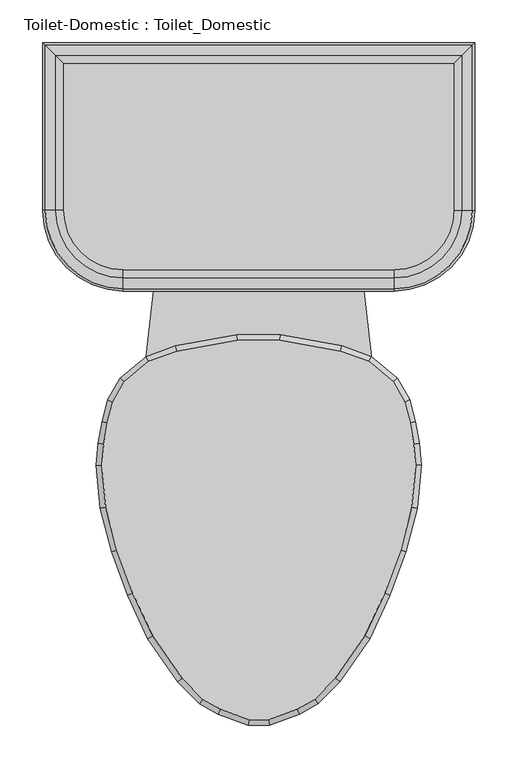
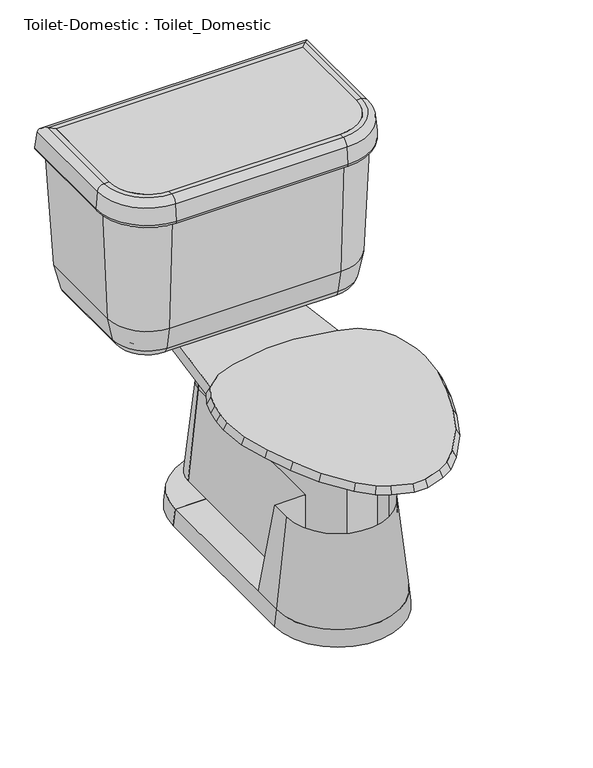
"""IFC4 building model written with IfcOpenShell, lengths in millimetres: flow terminal geometry, Toilet-Domestic : Toilet_Domestic."""

from ifc_helpers import new_model, si_unit, point, frame, frame_2d, origin, place, context, project, spatial, polyline, circle_curve, ellipse_curve, trimmed, segment, composite_curve, outline, extrude, faceted_brep, source, transform, mapped, element, save
from ifc_brep_helpers import plane_surface, cylinder_surface, revolved_surface, advanced_brep


def toilet_domestic_toilet_domestic_f7549cf7(model_context):
    return source(origin(), model_context, "Body", "SolidModel", [
        advanced_brep(
        [(-117.7636364, 285.75, 0.0), (-38.1, 285.75, 0.0), (-38.1, 285.75, 31.75), (-114.3, 285.75, 31.75), (117.7636364, 285.75, 0.0), (114.3, 285.75, 31.75), (38.1, 285.75, 31.75), (38.1, 285.75, 0.0)],
        [
            (0, 1),
            (1, 2),
            (2, 3),
            (3, 0),
            (4, 5),
            (5, 6),
            (6, 7),
            (7, 4),
            (7, 1, circle_curve(frame((0.0, 285.75, 0.0), z_axis=(0.0, 0.0, 1.0), x_axis=(-1.0, 0.0, 0.0)), 38.1)),
            (0, 4, circle_curve(frame((0.0, 285.75, 0.0), z_axis=(0.0, 0.0, -1.0), x_axis=(-1.0, 0.0, 0.0)), 117.7636364)),
            (6, 2, circle_curve(frame((0.0, 285.75, 31.75), z_axis=(0.0, 0.0, 1.0), x_axis=(-1.0, 0.0, 0.0)), 38.1)),
            (5, 3, circle_curve(frame((0.0, 285.75, 31.75), z_axis=(0.0, 0.0, 1.0), x_axis=(-1.0, 0.0, 0.0)), 114.3)),
        ],
        [
            plane_surface(frame((0.0, 285.75, -304.8), z_axis=(0.0, -1.0, 0.0), x_axis=(-1.0, 0.0, 0.0))),
            plane_surface(frame((0.0, 285.75, -304.8), z_axis=(0.0, -1.0, 0.0), x_axis=(1.0, 0.0, 0.0))),
            plane_surface(frame((0.0, 285.75, 0.0), z_axis=(0.0, 0.0, -1.0), x_axis=(-1.0, 0.0, 0.0))),
            revolved_surface(polyline([(-38.1, 285.75, 0.0), (-38.1, 285.75, 31.75)]), (0.0, 285.75, -304.8), (0.0, 0.0, -1.0)),
            plane_surface(frame((0.0, 285.75, 31.75), z_axis=(0.0, 0.0, 1.0), x_axis=(-1.0, 0.0, 0.0))),
            revolved_surface(polyline([(-114.3, 285.75, 31.75), (-117.7636364, 285.75, 0.0)]), (0.0, 285.75, -304.8), (0.0, 0.0, -1.0)),
        ],
        [
            (0, [[1, 2, 3, 4]]),
            (1, [[5, 6, 7, 8]]),
            (2, [[9, -1, 10, -8]]),
            (3, [[11, -2, -9, -7]]),
            (4, [[12, -3, -11, -6]]),
            (5, [[-10, -4, -12, -5]]),
        ],
    ),
        advanced_brep(
        [(-38.1, 342.9, 206.375), (-57.15, 342.9, 31.75), (-38.1, 342.9, 31.75), (38.1, 342.9, 206.375), (38.1, 342.9, 31.75), (57.15, 342.9, 31.75)],
        [
            (0, 1),
            (1, 2),
            (2, 0),
            (3, 4),
            (4, 5),
            (5, 3),
            (5, 1, circle_curve(frame((0.0, 342.9, 31.75), z_axis=(0.0, 0.0, 1.0), x_axis=(-1.0, 0.0, 0.0)), 57.15)),
            (0, 3, circle_curve(frame((0.0, 342.9, 206.375), z_axis=(0.0, 0.0, -1.0), x_axis=(-1.0, 0.0, 0.0)), 38.1)),
            (4, 2, circle_curve(frame((0.0, 342.9, 31.75), z_axis=(0.0, 0.0, 1.0), x_axis=(-1.0, 0.0, 0.0)), 38.1)),
        ],
        [
            plane_surface(frame((0.0, 342.9, 31.75), z_axis=(0.0, -1.0, 0.0), x_axis=(-1.0, 0.0, 0.0))),
            plane_surface(frame((0.0, 342.9, 31.75), z_axis=(0.0, -1.0, 0.0), x_axis=(1.0, 0.0, 0.0))),
            revolved_surface(polyline([(-38.1, 342.9, 206.375), (-57.15, 342.9, 31.75)]), (0.0, 342.9, 31.75), (0.0, 0.0, -1.0)),
            plane_surface(frame((0.0, 342.9, 31.75), z_axis=(0.0, 0.0, -1.0), x_axis=(-1.0, 0.0, 0.0))),
            revolved_surface(polyline([(-38.1, 342.9, 31.75), (-38.1, 342.9, 206.375)]), (0.0, 342.9, 31.75), (0.0, 0.0, -1.0)),
        ],
        [
            (0, [[1, 2, 3]]),
            (1, [[4, 5, 6]]),
            (2, [[7, -1, 8, -6]]),
            (3, [[9, -2, -7, -5]]),
            (4, [[-8, -3, -9, -4]]),
        ],
    ),
        faceted_brep([(-157.6293435, 97.472128, 400.05), (-171.060664, 73.773864, 400.05), (-177.5851102, 49.4242991, 400.05), (-181.9845715, 24.4737144, 400.05), (-184.125744, 0.0, 400.05), (-179.7950716, -49.4998127, 400.05), (-166.347, -99.688699, 400.05), (-148.0469602, -149.9676451, 400.05), (-124.7045808, -200.0255393, 400.05), (-90.0971582, -249.9125941, 400.05), (-65.691017, -274.3187354, 400.05), (-44.8990862, -286.3229622, 400.05), (-11.5803237, -298.45, 400.05), (11.5803237, -298.45, 400.05), (44.8990862, -286.3229622, 400.05), (65.691017, -274.3187354, 400.05), (90.0971582, -249.9125941, 400.05), (124.7045808, -200.0255393, 400.05), (148.0469602, -149.9676451, 400.05), (166.347, -99.688699, 400.05), (179.7950716, -49.4998127, 400.05), (184.125744, 0.0, 400.05), (181.9845715, 24.4737144, 400.05), (177.5851102, 49.4242991, 400.05), (171.060664, 73.773864, 400.05), (157.6293435, 97.472128, 400.05), (129.0942628, 121.4159037, 400.05), (95.7755003, 133.5429415, 400.05), (24.844447, 146.05, 400.05), (-24.844447, 146.05, 400.05), (-95.7755003, 133.5429415, 400.05), (-129.0942628, 121.4159037, 400.05), (-162.5887836, 101.6, 387.2181453), (-132.3182423, 127.0, 387.2181453), (-97.4252791, 139.7, 387.2181453), (-25.4, 152.4, 387.2181453), (25.4, 152.4, 387.2181453), (97.4252791, 139.7, 387.2181453), (132.3182423, 127.0, 387.2181453), (162.5887836, 101.6, 387.2181453), (176.9845865, 76.2, 387.2181453), (183.790496, 50.8, 387.2181453), (188.2862441, 25.3033453, 387.2181453), (190.5, 0.0, 387.2181453), (186.0724883, -50.6066907, 387.2181453), (172.4088722, -101.6, 387.2181453), (153.9191843, -152.4, 387.2181453), (130.2307553, -203.2, 387.2181453), (94.9900085, -254.0, 387.2181453), (69.5900085, -279.4, 387.2181453), (47.5929632, -292.1, 387.2181453), (12.7, -304.8, 387.2181453), (-12.7, -304.8, 387.2181453), (-47.5929632, -292.1, 387.2181453), (-69.5900085, -279.4, 387.2181453), (-94.9900085, -254.0, 387.2181453), (-130.2307553, -203.2, 387.2181453), (-153.9191843, -152.4, 387.2181453), (-172.4088722, -101.6, 387.2181453), (-186.0724883, -50.6066907, 387.2181453), (-190.5, 0.0, 387.2181453), (-188.2862441, 25.3033453, 387.2181453), (-183.790496, 50.8, 387.2181453), (-176.9845865, 76.2, 387.2181453)], [[[0, 1, 2, 3, 4, 5, 6, 7, 8, 9, 10, 11, 12, 13, 14, 15, 16, 17, 18, 19, 20, 21, 22, 23, 24, 25, 26, 27, 28, 29, 30, 31]], [[32, 33, 34, 35, 36, 37, 38, 39, 40, 41, 42, 43, 44, 45, 46, 47, 48, 49, 50, 51, 52, 53, 54, 55, 56, 57, 58, 59, 60, 61, 62, 63]], [[32, 63, 1, 0]], [[63, 62, 2, 1]], [[62, 61, 3, 2]], [[61, 60, 4, 3]], [[60, 59, 5, 4]], [[59, 58, 6, 5]], [[58, 57, 7, 6]], [[57, 56, 8, 7]], [[56, 55, 9, 8]], [[55, 54, 10, 9]], [[54, 53, 11, 10]], [[53, 52, 12, 11]], [[52, 51, 13, 12]], [[51, 50, 14, 13]], [[50, 49, 15, 14]], [[49, 48, 16, 15]], [[48, 47, 17, 16]], [[47, 46, 18, 17]], [[46, 45, 19, 18]], [[45, 44, 20, 19]], [[44, 43, 21, 20]], [[43, 42, 22, 21]], [[42, 41, 23, 22]], [[41, 40, 24, 23]], [[40, 39, 25, 24]], [[39, 38, 26, 25]], [[38, 37, 27, 26]], [[37, 36, 28, 27]], [[36, 35, 29, 28]], [[35, 34, 30, 29]], [[34, 33, 31, 30]], [[33, 32, 0, 31]]]),
        extrude(outline(composite_curve([segment(polyline([(228.5868869, 469.8868869), (228.5868869, 298.45)]), True, "CONTINUOUS"), segment(trimmed(circle_curve(frame_2d((158.75, 298.45)), 69.8368869), [point((228.5868869, 298.45))], [point((158.75, 228.6131131))], False, "CARTESIAN"), True, "CONTINUOUS"), segment(polyline([(158.75, 228.6131131), (-158.75, 228.6131131)]), True, "CONTINUOUS"), segment(trimmed(circle_curve(frame_2d((-158.75, 298.45)), 69.8368869), [point((-158.75, 228.6131131))], [point((-228.5868869, 298.45))], False, "CARTESIAN"), True, "CONTINUOUS"), segment(polyline([(-228.5868869, 298.45), (-228.5868869, 469.8868869), (228.5868869, 469.8868869)]), True, "CONTINUOUS")], self_intersect=False)), frame((0.0, 0.0, 654.05), z_axis=(0.0, 0.0, 1.0), x_axis=(1.0, 0.0, 0.0)), (0.0, 0.0, 1.0), 50.8),
        extrude(outline(composite_curve([segment(trimmed(circle_curve(frame_2d((0.0, 342.9)), 38.1), [point((-38.1, 342.9))], [point((38.1, 342.9))], False, "CARTESIAN"), True, "CONTINUOUS"), segment(polyline([(38.1, 342.9), (-38.1, 342.9)]), True, "CONTINUOUS")], self_intersect=False)), frame((0.0, 0.0, 206.375), z_axis=(0.0, 0.0, 1.0), x_axis=(1.0, 0.0, 0.0)), (0.0, 0.0, 1.0), 130.175),
        advanced_brep(
        [(177.8, 419.1, 387.2181453), (177.8, 419.1, 374.65), (177.8, 298.45, 374.65), (177.8, 298.45, 387.2181453), (192.8020829, 434.1020829, 387.2181453), (192.8020829, 298.45, 387.2181453), (211.4650931, 452.7650931, 402.4478636), (211.4650931, 298.45, 402.4478636), (218.7732506, 460.0732506, 438.15), (218.7732506, 298.45, 438.15), (228.5868869, 469.8868869, 654.05), (228.5868869, 298.45, 654.05), (228.5868869, 469.8868869, 704.85), (228.5868869, 298.45, 704.85), (237.91817, 479.21817, 704.85), (237.91817, 298.45, 704.85), (250.5698426, 491.8698426, 693.2568779), (250.5698426, 298.45, 693.2568779), (253.3960274, 494.6960274, 660.953439), (253.3960274, 298.45, 660.953439), (247.070191, 488.370191, 654.05), (247.070191, 298.45, 654.05), (241.3, 482.6, 654.05), (241.3, 298.45, 654.05), (231.4863636, 472.7863636, 438.15), (231.4863636, 298.45, 438.15), (222.3416824, 463.6416824, 393.4759963), (222.3416824, 298.45, 393.4759963), (197.8071664, 439.1071664, 374.65), (197.8071664, 298.45, 374.65), (158.75, 279.4, 387.2181453), (158.75, 279.4, 374.65), (158.75, 264.3979171, 387.2181453), (158.75, 245.7349069, 402.4478636), (158.75, 238.4267494, 438.15), (158.75, 228.6131131, 654.05), (158.75, 228.6131131, 704.85), (158.75, 219.28183, 704.85), (158.75, 206.6301574, 693.2568779), (158.75, 203.8039726, 660.953439), (158.75, 210.129809, 654.05), (158.75, 215.9, 654.05), (158.75, 225.7136364, 438.15), (158.75, 234.8583176, 393.4759963), (158.75, 259.3928336, 374.65), (-158.75, 279.4, 374.65), (-158.75, 279.4, 387.2181453), (-158.75, 264.3979171, 387.2181453), (-158.75, 245.7349069, 402.4478636), (-158.75, 238.4267494, 438.15), (-158.75, 228.6131131, 654.05), (-158.75, 228.6131131, 704.85), (-158.75, 219.28183, 704.85), (-158.75, 206.6301574, 693.2568779), (-158.75, 203.8039726, 660.953439), (-158.75, 210.129809, 654.05), (-158.75, 215.9, 654.05), (-158.75, 225.7136364, 438.15), (-158.75, 234.8583176, 393.4759963), (-158.75, 259.3928336, 374.65), (-177.8, 298.45, 387.2181453), (-177.8, 298.45, 374.65), (-192.8020829, 298.45, 387.2181453), (-211.4650931, 298.45, 402.4478636), (-218.7732506, 298.45, 438.15), (-228.5868869, 298.45, 654.05), (-228.5868869, 298.45, 704.85), (-237.91817, 298.45, 704.85), (-250.5698426, 298.45, 693.2568779), (-253.3960274, 298.45, 660.953439), (-247.070191, 298.45, 654.05), (-241.3, 298.45, 654.05), (-231.4863636, 298.45, 438.15), (-222.3416824, 298.45, 393.4759963), (-197.8071664, 298.45, 374.65), (-177.8, 419.1, 374.65), (-177.8, 419.1, 387.2181453), (-192.8020829, 434.1020829, 387.2181453), (-211.4650931, 452.7650931, 402.4478636), (-218.7732506, 460.0732506, 438.15), (-228.5868869, 469.8868869, 654.05), (-228.5868869, 469.8868869, 704.85), (-237.91817, 479.21817, 704.85), (-250.5698426, 491.8698426, 693.2568779), (-253.3960274, 494.6960274, 660.953439), (-247.070191, 488.370191, 654.05), (-241.3, 482.6, 654.05), (-231.4863636, 472.7863636, 438.15), (-222.3416824, 463.6416824, 393.4759963), (-197.8071664, 439.1071664, 374.65)],
        [
            (0, 1),
            (1, 2),
            (2, 3),
            (3, 0),
            (4, 0),
            (3, 5),
            (5, 4),
            (6, 4, ellipse_curve(frame((192.8020829, 434.1020829, 406.2681453), z_axis=(-0.7071067811865451, 0.7071067811865498, 0.0), x_axis=(-0.7071067811865497, -0.7071067811865452, 0.0)), 26.9407684, 19.05)),
            (5, 7, circle_curve(frame((192.8020829, 298.45, 406.2681453), z_axis=(0.0, -1.0, 0.0), x_axis=(1.0, 0.0, 0.0)), 19.05)),
            (7, 6),
            (8, 6),
            (7, 9),
            (9, 8),
            (10, 8),
            (9, 11),
            (11, 10),
            (12, 10),
            (11, 13),
            (13, 12),
            (14, 12),
            (13, 15),
            (15, 14),
            (16, 14, ellipse_curve(frame((237.91817, 479.21817, 692.15), z_axis=(0.7071067811865451, -0.7071067811865498, 0.0), x_axis=(0.7071067811865497, 0.7071067811865452, 0.0)), 17.9605122, 12.7)),
            (15, 17, circle_curve(frame((237.91817, 298.45, 692.15), z_axis=(0.0, 1.0, 0.0), x_axis=(1.0, 0.0, 0.0)), 12.7)),
            (17, 16),
            (18, 16),
            (17, 19),
            (19, 18),
            (20, 18, ellipse_curve(frame((247.070191, 488.370191, 660.4), z_axis=(0.7071067811865451, -0.7071067811865498, 0.0), x_axis=(0.7071067811865497, 0.7071067811865452, 0.0)), 8.9802561, 6.35)),
            (19, 21, circle_curve(frame((247.070191, 298.45, 660.4), z_axis=(0.0, 1.0, 0.0), x_axis=(1.0, 0.0, 0.0)), 6.35)),
            (21, 20),
            (22, 20),
            (21, 23),
            (23, 22),
            (24, 22),
            (23, 25),
            (25, 24),
            (26, 24),
            (25, 27),
            (27, 26),
            (28, 26, ellipse_curve(frame((197.8071664, 439.1071664, 400.05), z_axis=(0.7071067811865451, -0.7071067811865498, 0.0), x_axis=(0.7071067811865497, 0.7071067811865452, 0.0)), 35.9210245, 25.4)),
            (27, 29, circle_curve(frame((197.8071664, 298.45, 400.05), z_axis=(0.0, 1.0, 0.0), x_axis=(1.0, 0.0, 0.0)), 25.4)),
            (29, 28),
            (1, 28),
            (29, 2),
            (30, 3, circle_curve(frame((158.75, 298.45, 387.2181453), z_axis=(0.0, 0.0, 1.0), x_axis=(1.0, 0.0, 0.0)), 19.05)),
            (2, 31, circle_curve(frame((158.75, 298.45, 374.65), z_axis=(0.0, 0.0, -1.0), x_axis=(1.0, 0.0, 0.0)), 19.05)),
            (31, 30),
            (32, 5, circle_curve(frame((158.75, 298.45, 387.2181453), z_axis=(0.0, 0.0, 1.0), x_axis=(1.0, 0.0, 0.0)), 34.0520829)),
            (30, 32),
            (33, 7, circle_curve(frame((158.75, 298.45, 402.4478636), z_axis=(0.0, 0.0, 1.0), x_axis=(1.0, 0.0, 0.0)), 52.7150931)),
            (32, 33, circle_curve(frame((158.75, 264.3979171, 406.2681453), z_axis=(-1.0, 0.0, 0.0), x_axis=(0.0, -1.0, 0.0)), 19.05)),
            (34, 9, circle_curve(frame((158.75, 298.45, 438.15), z_axis=(0.0, 0.0, 1.0), x_axis=(1.0, 0.0, 0.0)), 60.0232506)),
            (33, 34),
            (35, 11, circle_curve(frame((158.75, 298.45, 654.05), z_axis=(0.0, 0.0, 1.0), x_axis=(1.0, 0.0, 0.0)), 69.8368869)),
            (34, 35),
            (36, 13, circle_curve(frame((158.75, 298.45, 704.85), z_axis=(0.0, 0.0, 1.0), x_axis=(1.0, 0.0, 0.0)), 69.8368869)),
            (35, 36),
            (37, 15, circle_curve(frame((158.75, 298.45, 704.85), z_axis=(0.0, 0.0, 1.0), x_axis=(1.0, 0.0, 0.0)), 79.16817)),
            (36, 37),
            (38, 17, circle_curve(frame((158.75, 298.45, 693.2568779), z_axis=(0.0, 0.0, 1.0), x_axis=(1.0, 0.0, 0.0)), 91.8198426)),
            (37, 38, circle_curve(frame((158.75, 219.28183, 692.15), z_axis=(1.0, 0.0, 0.0), x_axis=(0.0, -1.0, 0.0)), 12.7)),
            (39, 19, circle_curve(frame((158.75, 298.45, 660.953439), z_axis=(0.0, 0.0, 1.0), x_axis=(1.0, 0.0, 0.0)), 94.6460274)),
            (38, 39),
            (40, 21, circle_curve(frame((158.75, 298.45, 654.05), z_axis=(0.0, 0.0, 1.0), x_axis=(1.0, 0.0, 0.0)), 88.320191)),
            (39, 40, circle_curve(frame((158.75, 210.129809, 660.4), z_axis=(1.0, 0.0, 0.0), x_axis=(0.0, -1.0, 0.0)), 6.35)),
            (41, 23, circle_curve(frame((158.75, 298.45, 654.05), z_axis=(0.0, 0.0, 1.0), x_axis=(1.0, 0.0, 0.0)), 82.55)),
            (40, 41),
            (42, 25, circle_curve(frame((158.75, 298.45, 438.15), z_axis=(0.0, 0.0, 1.0), x_axis=(1.0, 0.0, 0.0)), 72.7363636)),
            (41, 42),
            (43, 27, circle_curve(frame((158.75, 298.45, 393.4759963), z_axis=(0.0, 0.0, 1.0), x_axis=(1.0, 0.0, 0.0)), 63.5916824)),
            (42, 43),
            (44, 29, circle_curve(frame((158.75, 298.45, 374.65), z_axis=(0.0, 0.0, 1.0), x_axis=(1.0, 0.0, 0.0)), 39.0571664)),
            (43, 44, circle_curve(frame((158.75, 259.3928336, 400.05), z_axis=(1.0, 0.0, 0.0), x_axis=(0.0, -1.0, 0.0)), 25.4)),
            (44, 31),
            (31, 45),
            (45, 46),
            (46, 30),
            (46, 47),
            (47, 32),
            (47, 48, circle_curve(frame((-158.75, 264.3979171, 406.2681453), z_axis=(-1.0, 0.0, 0.0), x_axis=(0.0, -1.0, 0.0)), 19.05)),
            (48, 33),
            (48, 49),
            (49, 34),
            (49, 50),
            (50, 35),
            (50, 51),
            (51, 36),
            (51, 52),
            (52, 37),
            (52, 53, circle_curve(frame((-158.75, 219.28183, 692.15), z_axis=(1.0, 0.0, 0.0), x_axis=(0.0, -1.0, 0.0)), 12.7)),
            (53, 38),
            (53, 54),
            (54, 39),
            (54, 55, circle_curve(frame((-158.75, 210.129809, 660.4), z_axis=(1.0, 0.0, 0.0), x_axis=(0.0, -1.0, 0.0)), 6.35)),
            (55, 40),
            (55, 56),
            (56, 41),
            (56, 57),
            (57, 42),
            (57, 58),
            (58, 43),
            (58, 59, circle_curve(frame((-158.75, 259.3928336, 400.05), z_axis=(1.0, 0.0, 0.0), x_axis=(0.0, -1.0, 0.0)), 25.4)),
            (59, 44),
            (59, 45),
            (60, 46, circle_curve(frame((-158.75, 298.45, 387.2181453), z_axis=(0.0, 0.0, 1.0), x_axis=(0.0, -1.0, 0.0)), 19.05)),
            (45, 61, circle_curve(frame((-158.75, 298.45, 374.65), z_axis=(0.0, 0.0, -1.0), x_axis=(0.0, -1.0, 0.0)), 19.05)),
            (61, 60),
            (62, 47, circle_curve(frame((-158.75, 298.45, 387.2181453), z_axis=(0.0, 0.0, 1.0), x_axis=(0.0, -1.0, 0.0)), 34.0520829)),
            (60, 62),
            (63, 48, circle_curve(frame((-158.75, 298.45, 402.4478636), z_axis=(0.0, 0.0, 1.0), x_axis=(0.0, -1.0, 0.0)), 52.7150931)),
            (62, 63, circle_curve(frame((-192.8020829, 298.45, 406.2681453), z_axis=(0.0, 1.0, 0.0), x_axis=(-1.0, 0.0, 0.0)), 19.05)),
            (64, 49, circle_curve(frame((-158.75, 298.45, 438.15), z_axis=(0.0, 0.0, 1.0), x_axis=(0.0, -1.0, 0.0)), 60.0232506)),
            (63, 64),
            (65, 50, circle_curve(frame((-158.75, 298.45, 654.05), z_axis=(0.0, 0.0, 1.0), x_axis=(0.0, -1.0, 0.0)), 69.8368869)),
            (64, 65),
            (66, 51, circle_curve(frame((-158.75, 298.45, 704.85), z_axis=(0.0, 0.0, 1.0), x_axis=(0.0, -1.0, 0.0)), 69.8368869)),
            (65, 66),
            (67, 52, circle_curve(frame((-158.75, 298.45, 704.85), z_axis=(0.0, 0.0, 1.0), x_axis=(0.0, -1.0, 0.0)), 79.16817)),
            (66, 67),
            (68, 53, circle_curve(frame((-158.75, 298.45, 693.2568779), z_axis=(0.0, 0.0, 1.0), x_axis=(0.0, -1.0, 0.0)), 91.8198426)),
            (67, 68, circle_curve(frame((-237.91817, 298.45, 692.15), z_axis=(0.0, -1.0, 0.0), x_axis=(-1.0, 0.0, 0.0)), 12.7)),
            (69, 54, circle_curve(frame((-158.75, 298.45, 660.953439), z_axis=(0.0, 0.0, 1.0), x_axis=(0.0, -1.0, 0.0)), 94.6460274)),
            (68, 69),
            (70, 55, circle_curve(frame((-158.75, 298.45, 654.05), z_axis=(0.0, 0.0, 1.0), x_axis=(0.0, -1.0, 0.0)), 88.320191)),
            (69, 70, circle_curve(frame((-247.070191, 298.45, 660.4), z_axis=(0.0, -1.0, 0.0), x_axis=(-1.0, 0.0, 0.0)), 6.35)),
            (71, 56, circle_curve(frame((-158.75, 298.45, 654.05), z_axis=(0.0, 0.0, 1.0), x_axis=(0.0, -1.0, 0.0)), 82.55)),
            (70, 71),
            (72, 57, circle_curve(frame((-158.75, 298.45, 438.15), z_axis=(0.0, 0.0, 1.0), x_axis=(0.0, -1.0, 0.0)), 72.7363636)),
            (71, 72),
            (73, 58, circle_curve(frame((-158.75, 298.45, 393.4759963), z_axis=(0.0, 0.0, 1.0), x_axis=(0.0, -1.0, 0.0)), 63.5916824)),
            (72, 73),
            (74, 59, circle_curve(frame((-158.75, 298.45, 374.65), z_axis=(0.0, 0.0, 1.0), x_axis=(0.0, -1.0, 0.0)), 39.0571664)),
            (73, 74, circle_curve(frame((-197.8071664, 298.45, 400.05), z_axis=(0.0, -1.0, 0.0), x_axis=(-1.0, 0.0, 0.0)), 25.4)),
            (74, 61),
            (61, 75),
            (75, 76),
            (76, 60),
            (76, 77),
            (77, 62),
            (77, 78, ellipse_curve(frame((-192.8020829, 434.1020829, 406.2681453), z_axis=(0.7071067811865498, 0.7071067811865451, 0.0), x_axis=(-0.7071067811865451, 0.70710678118655, 0.0)), 26.9407684, 19.05)),
            (78, 63),
            (78, 79),
            (79, 64),
            (79, 80),
            (80, 65),
            (80, 81),
            (81, 66),
            (81, 82),
            (82, 67),
            (82, 83, ellipse_curve(frame((-237.91817, 479.21817, 692.15), z_axis=(-0.7071067811865498, -0.7071067811865451, 0.0), x_axis=(0.7071067811865451, -0.70710678118655, 0.0)), 17.9605122, 12.7)),
            (83, 68),
            (83, 84),
            (84, 69),
            (84, 85, ellipse_curve(frame((-247.070191, 488.370191, 660.4), z_axis=(-0.7071067811865498, -0.7071067811865451, 0.0), x_axis=(0.7071067811865451, -0.70710678118655, 0.0)), 8.9802561, 6.35)),
            (85, 70),
            (85, 86),
            (86, 71),
            (86, 87),
            (87, 72),
            (87, 88),
            (88, 73),
            (88, 89, ellipse_curve(frame((-197.8071664, 439.1071664, 400.05), z_axis=(-0.7071067811865498, -0.7071067811865451, 0.0), x_axis=(0.7071067811865451, -0.70710678118655, 0.0)), 35.9210245, 25.4)),
            (89, 74),
            (89, 75),
            (75, 1),
            (0, 76),
            (4, 77),
            (6, 78),
            (8, 79),
            (10, 80),
            (12, 81),
            (14, 82),
            (16, 83),
            (18, 84),
            (20, 85),
            (22, 86),
            (24, 87),
            (26, 88),
            (28, 89),
        ],
        [
            plane_surface(frame((177.8, 419.1, 374.65), z_axis=(-1.0, 0.0, 0.0), x_axis=(0.0, -1.0, 0.0))),
            plane_surface(frame((177.8, 419.1, 387.2181453), z_axis=(0.0, 0.0, 1.0), x_axis=(0.0, -1.0, 0.0))),
            revolved_surface(polyline([(211.8520829, 298.45, 406.2681453), (211.8520829, 453.1520829260162, 406.2681453)]), (192.8020829, 419.1, 406.2681453), (0.0, -1.0, 0.0)),
            plane_surface(frame((211.4650931, 452.7650931, 402.4478636), z_axis=(-0.9796855721787505, 0.0, 0.2005397209153197), x_axis=(0.0, -1.0, 0.0))),
            plane_surface(frame((218.7732506, 460.0732506, 438.15), z_axis=(-0.9989685402102995, 0.0, 0.045407660918654086), x_axis=(0.0, -1.0, 0.0))),
            plane_surface(frame((228.5868869, 469.8868869, 654.05), z_axis=(-1.0, 0.0, 0.0), x_axis=(0.0, -1.0, 0.0))),
            plane_surface(frame((228.5868869, 469.8868869, 704.85), z_axis=(0.0, 0.0, 1.0), x_axis=(0.0, -1.0, 0.0))),
            cylinder_surface(frame((237.91817, 419.1, 692.15), z_axis=(0.0, 1.0, 0.0), x_axis=(1.0, 0.0, 0.0)), 12.7),
            plane_surface(frame((250.5698426, 491.8698426, 693.2568779), z_axis=(0.9961946980917452, 0.0, 0.08715574274766269), x_axis=(0.0, -1.0, 0.0))),
            cylinder_surface(frame((247.070191, 419.1, 660.4), z_axis=(0.0, 1.0, 0.0), x_axis=(1.0, 0.0, 0.0)), 6.35),
            plane_surface(frame((247.070191, 488.370191, 654.05), z_axis=(0.0, 0.0, -1.0), x_axis=(0.0, -1.0, 0.0))),
            plane_surface(frame((241.3, 482.6, 654.05), z_axis=(0.9989685402102993, 0.0, -0.04540766091865594), x_axis=(0.0, -1.0, 0.0))),
            plane_surface(frame((231.4863636, 472.7863636, 438.15), z_axis=(0.9796855721787489, 0.0, -0.20053972091532798), x_axis=(0.0, -1.0, 0.0))),
            cylinder_surface(frame((197.8071664, 419.1, 400.05), z_axis=(0.0, 1.0, 0.0), x_axis=(1.0, 0.0, 0.0)), 25.4),
            plane_surface(frame((197.8071664, 439.1071664, 374.65), z_axis=(0.0, 0.0, -1.0), x_axis=(0.0, -1.0, 0.0))),
            revolved_surface(polyline([(177.8, 298.45, 374.65), (177.8, 298.45, 387.2181453)]), (158.75, 298.45, 0.0), (0.0, 0.0, -1.0)),
            plane_surface(frame((158.75, 298.45, 387.2181453), z_axis=(0.0, 0.0, 1.0), x_axis=(1.0, 0.0, 0.0))),
            revolved_surface(trimmed(ellipse_curve(frame((192.8020829, 298.45, 406.2681453), z_axis=(0.0, -1.0, 0.0), x_axis=(1.0, 0.0, 0.0)), 19.05, 19.05), [point((192.8020829, 298.45, 387.2181453))], [point((211.4650931, 298.45, 402.4478636))], True, "CARTESIAN"), (158.75, 298.45, 0.0), (0.0, 0.0, -1.0)),
            revolved_surface(polyline([(211.4650931, 298.45, 402.4478636), (218.7732506, 298.45, 438.15)]), (158.75, 298.45, 0.0), (0.0, 0.0, -1.0)),
            revolved_surface(polyline([(218.7732506, 298.45, 438.15), (228.5868869, 298.45, 654.05)]), (158.75, 298.45, 0.0), (0.0, 0.0, -1.0)),
            revolved_surface(polyline([(228.5868869, 298.45, 654.05), (228.5868869, 298.45, 704.85)]), (158.75, 298.45, 0.0), (0.0, 0.0, -1.0)),
            plane_surface(frame((158.75, 298.45, 704.85), z_axis=(0.0, 0.0, 1.0), x_axis=(1.0, 0.0, 0.0))),
            revolved_surface(trimmed(ellipse_curve(frame((237.91817, 298.45, 692.15), z_axis=(0.0, 1.0, 0.0), x_axis=(1.0, 0.0, 0.0)), 12.7, 12.7), [point((237.91817, 298.45, 704.85))], [point((250.5698426, 298.45, 693.2568779))], True, "CARTESIAN"), (158.75, 298.45, 0.0), (0.0, 0.0, -1.0)),
            revolved_surface(polyline([(250.5698426, 298.45, 693.2568779), (253.3960274, 298.45, 660.953439)]), (158.75, 298.45, 0.0), (0.0, 0.0, -1.0)),
            revolved_surface(trimmed(ellipse_curve(frame((247.070191, 298.45, 660.4), z_axis=(0.0, 1.0, 0.0), x_axis=(1.0, 0.0, 0.0)), 6.35, 6.35), [point((253.3960274, 298.45, 660.953439))], [point((247.070191, 298.45, 654.05))], True, "CARTESIAN"), (158.75, 298.45, 0.0), (0.0, 0.0, -1.0)),
            plane_surface(frame((158.75, 298.45, 654.05), z_axis=(0.0, 0.0, -1.0), x_axis=(1.0, 0.0, 0.0))),
            revolved_surface(polyline([(241.3, 298.45, 654.05), (231.4863636, 298.45, 438.15)]), (158.75, 298.45, 0.0), (0.0, 0.0, -1.0)),
            revolved_surface(polyline([(231.4863636, 298.45, 438.15), (222.3416824, 298.45, 393.4759963)]), (158.75, 298.45, 0.0), (0.0, 0.0, -1.0)),
            revolved_surface(trimmed(ellipse_curve(frame((197.8071664, 298.45, 400.05), z_axis=(0.0, 1.0, 0.0), x_axis=(1.0, 0.0, 0.0)), 25.4, 25.4), [point((222.3416824, 298.45, 393.4759963))], [point((197.8071664, 298.45, 374.65))], True, "CARTESIAN"), (158.75, 298.45, 0.0), (0.0, 0.0, -1.0)),
            plane_surface(frame((158.75, 298.45, 374.65), z_axis=(0.0, 0.0, -1.0), x_axis=(1.0, 0.0, 0.0))),
            plane_surface(frame((158.75, 279.4, 374.65), z_axis=(0.0, 1.0, 0.0), x_axis=(-1.0, 0.0, 0.0))),
            plane_surface(frame((158.75, 279.4, 387.2181453), z_axis=(0.0, 0.0, 1.0), x_axis=(-1.0, 0.0, 0.0))),
            revolved_surface(polyline([(-158.75, 245.34791709999996, 406.2681453), (158.75, 245.34791709999996, 406.2681453)]), (158.75, 264.3979171, 406.2681453), (-1.0, 0.0, 0.0)),
            plane_surface(frame((158.75, 245.7349069, 402.4478636), z_axis=(0.0, 0.9796855721787505, 0.2005397209153197), x_axis=(-1.0, 0.0, 0.0))),
            plane_surface(frame((158.75, 238.4267494, 438.15), z_axis=(0.0, 0.9989685402102995, 0.045407660918654086), x_axis=(-1.0, 0.0, 0.0))),
            plane_surface(frame((158.75, 228.6131131, 654.05), z_axis=(0.0, 1.0, 0.0), x_axis=(-1.0, 0.0, 0.0))),
            plane_surface(frame((158.75, 228.6131131, 704.85), z_axis=(0.0, 0.0, 1.0), x_axis=(-1.0, 0.0, 0.0))),
            cylinder_surface(frame((158.75, 219.28183, 692.15), z_axis=(1.0, 0.0, 0.0), x_axis=(0.0, -1.0, 0.0)), 12.7),
            plane_surface(frame((158.75, 206.6301574, 693.2568779), z_axis=(0.0, -0.9961946980917452, 0.08715574274766269), x_axis=(-1.0, 0.0, 0.0))),
            cylinder_surface(frame((158.75, 210.129809, 660.4), z_axis=(1.0, 0.0, 0.0), x_axis=(0.0, -1.0, 0.0)), 6.35),
            plane_surface(frame((158.75, 210.129809, 654.05), z_axis=(0.0, 0.0, -1.0), x_axis=(-1.0, 0.0, 0.0))),
            plane_surface(frame((158.75, 215.9, 654.05), z_axis=(0.0, -0.9989685402102993, -0.04540766091865594), x_axis=(-1.0, 0.0, 0.0))),
            plane_surface(frame((158.75, 225.7136364, 438.15), z_axis=(0.0, -0.9796855721787489, -0.20053972091532798), x_axis=(-1.0, 0.0, 0.0))),
            cylinder_surface(frame((158.75, 259.3928336, 400.05), z_axis=(1.0, 0.0, 0.0), x_axis=(0.0, -1.0, 0.0)), 25.4),
            plane_surface(frame((158.75, 259.3928336, 374.65), z_axis=(0.0, 0.0, -1.0), x_axis=(-1.0, 0.0, 0.0))),
            revolved_surface(polyline([(-158.75, 279.4, 374.65), (-158.75, 279.4, 387.2181453)]), (-158.75, 298.45, 0.0), (0.0, 0.0, -1.0)),
            plane_surface(frame((-158.75, 298.45, 387.2181453), z_axis=(0.0, 0.0, 1.0), x_axis=(0.0, -1.0, 0.0))),
            revolved_surface(trimmed(ellipse_curve(frame((-158.75, 264.3979171, 406.2681453), z_axis=(-1.0, 0.0, 0.0), x_axis=(0.0, -1.0, 0.0)), 19.05, 19.05), [point((-158.75, 264.3979171, 387.2181453))], [point((-158.75, 245.7349069, 402.4478636))], True, "CARTESIAN"), (-158.75, 298.45, 0.0), (0.0, 0.0, -1.0)),
            revolved_surface(polyline([(-158.75, 245.7349069, 402.4478636), (-158.75, 238.4267494, 438.15)]), (-158.75, 298.45, 0.0), (0.0, 0.0, -1.0)),
            revolved_surface(polyline([(-158.75, 238.4267494, 438.15), (-158.75, 228.6131131, 654.05)]), (-158.75, 298.45, 0.0), (0.0, 0.0, -1.0)),
            revolved_surface(polyline([(-158.75, 228.6131131, 654.05), (-158.75, 228.6131131, 704.85)]), (-158.75, 298.45, 0.0), (0.0, 0.0, -1.0)),
            plane_surface(frame((-158.75, 298.45, 704.85), z_axis=(0.0, 0.0, 1.0), x_axis=(0.0, -1.0, 0.0))),
            revolved_surface(trimmed(ellipse_curve(frame((-158.75, 219.28183, 692.15), z_axis=(1.0, 0.0, 0.0), x_axis=(0.0, -1.0, 0.0)), 12.7, 12.7), [point((-158.75, 219.28183, 704.85))], [point((-158.75, 206.6301574, 693.2568779))], True, "CARTESIAN"), (-158.75, 298.45, 0.0), (0.0, 0.0, -1.0)),
            revolved_surface(polyline([(-158.75, 206.6301574, 693.2568779), (-158.75, 203.8039726, 660.953439)]), (-158.75, 298.45, 0.0), (0.0, 0.0, -1.0)),
            revolved_surface(trimmed(ellipse_curve(frame((-158.75, 210.129809, 660.4), z_axis=(1.0, 0.0, 0.0), x_axis=(0.0, -1.0, 0.0)), 6.35, 6.35), [point((-158.75, 203.8039726, 660.953439))], [point((-158.75, 210.129809, 654.05))], True, "CARTESIAN"), (-158.75, 298.45, 0.0), (0.0, 0.0, -1.0)),
            plane_surface(frame((-158.75, 298.45, 654.05), z_axis=(0.0, 0.0, -1.0), x_axis=(0.0, -1.0, 0.0))),
            revolved_surface(polyline([(-158.75, 215.9, 654.05), (-158.75, 225.7136364, 438.15)]), (-158.75, 298.45, 0.0), (0.0, 0.0, -1.0)),
            revolved_surface(polyline([(-158.75, 225.7136364, 438.15), (-158.75, 234.8583176, 393.4759963)]), (-158.75, 298.45, 0.0), (0.0, 0.0, -1.0)),
            revolved_surface(trimmed(ellipse_curve(frame((-158.75, 259.3928336, 400.05), z_axis=(1.0, 0.0, 0.0), x_axis=(0.0, -1.0, 0.0)), 25.4, 25.4), [point((-158.75, 234.8583176, 393.4759963))], [point((-158.75, 259.3928336, 374.65))], True, "CARTESIAN"), (-158.75, 298.45, 0.0), (0.0, 0.0, -1.0)),
            plane_surface(frame((-158.75, 298.45, 374.65), z_axis=(0.0, 0.0, -1.0), x_axis=(0.0, -1.0, 0.0))),
            plane_surface(frame((-177.8, 298.45, 374.65), z_axis=(1.0, 0.0, 0.0), x_axis=(0.0, 1.0, 0.0))),
            plane_surface(frame((-177.8, 298.45, 387.2181453), z_axis=(0.0, 0.0, 1.0), x_axis=(0.0, 1.0, 0.0))),
            revolved_surface(polyline([(-211.8520829, 453.15208292601636, 406.2681453), (-211.8520829, 298.45, 406.2681453)]), (-192.8020829, 298.45, 406.2681453), (0.0, 1.0, 0.0)),
            plane_surface(frame((-211.4650931, 298.45, 402.4478636), z_axis=(0.9796855721787505, 0.0, 0.2005397209153197), x_axis=(0.0, 1.0, 0.0))),
            plane_surface(frame((-218.7732506, 298.45, 438.15), z_axis=(0.9989685402102995, 0.0, 0.045407660918654086), x_axis=(0.0, 1.0, 0.0))),
            plane_surface(frame((-228.5868869, 298.45, 654.05), z_axis=(1.0, 0.0, 0.0), x_axis=(0.0, 1.0, 0.0))),
            plane_surface(frame((-228.5868869, 298.45, 704.85), z_axis=(0.0, 0.0, 1.0), x_axis=(0.0, 1.0, 0.0))),
            cylinder_surface(frame((-237.91817, 298.45, 692.15), z_axis=(0.0, -1.0, 0.0), x_axis=(-1.0, 0.0, 0.0)), 12.7),
            plane_surface(frame((-250.5698426, 298.45, 693.2568779), z_axis=(-0.9961946980917452, 0.0, 0.08715574274766269), x_axis=(0.0, 1.0, 0.0))),
            cylinder_surface(frame((-247.070191, 298.45, 660.4), z_axis=(0.0, -1.0, 0.0), x_axis=(-1.0, 0.0, 0.0)), 6.35),
            plane_surface(frame((-247.070191, 298.45, 654.05), z_axis=(0.0, 0.0, -1.0), x_axis=(0.0, 1.0, 0.0))),
            plane_surface(frame((-241.3, 298.45, 654.05), z_axis=(-0.9989685402102993, 0.0, -0.04540766091865594), x_axis=(0.0, 1.0, 0.0))),
            plane_surface(frame((-231.4863636, 298.45, 438.15), z_axis=(-0.9796855721787489, 0.0, -0.20053972091532798), x_axis=(0.0, 1.0, 0.0))),
            cylinder_surface(frame((-197.8071664, 298.45, 400.05), z_axis=(0.0, -1.0, 0.0), x_axis=(-1.0, 0.0, 0.0)), 25.4),
            plane_surface(frame((-197.8071664, 298.45, 374.65), z_axis=(0.0, 0.0, -1.0), x_axis=(0.0, 1.0, 0.0))),
            plane_surface(frame((-177.8, 419.1, 374.65), z_axis=(0.0, -1.0, 0.0), x_axis=(1.0, 0.0, 0.0))),
            plane_surface(frame((-177.8, 419.1, 387.2181453), z_axis=(0.0, 0.0, 1.0), x_axis=(1.0, 0.0, 0.0))),
            revolved_surface(polyline([(211.85208292601635, 453.15208290000004, 406.2681453), (-211.85208292601618, 453.15208290000004, 406.2681453)]), (-177.8, 434.1020829, 406.2681453), (1.0, 0.0, 0.0)),
            plane_surface(frame((-211.4650931, 452.7650931, 402.4478636), z_axis=(0.0, -0.9796855721787505, 0.2005397209153197), x_axis=(1.0, 0.0, 0.0))),
            plane_surface(frame((-218.7732506, 460.0732506, 438.15), z_axis=(0.0, -0.9989685402102995, 0.045407660918654086), x_axis=(1.0, 0.0, 0.0))),
            plane_surface(frame((-228.5868869, 469.8868869, 654.05), z_axis=(0.0, -1.0, 0.0), x_axis=(1.0, 0.0, 0.0))),
            plane_surface(frame((-228.5868869, 469.8868869, 704.85), z_axis=(0.0, 0.0, 1.0), x_axis=(1.0, 0.0, 0.0))),
            cylinder_surface(frame((-177.8, 479.21817, 692.15), z_axis=(-1.0, 0.0, 0.0), x_axis=(0.0, 1.0, 0.0)), 12.7),
            plane_surface(frame((-250.5698426, 491.8698426, 693.2568779), z_axis=(0.0, 0.9961946980917452, 0.08715574274766269), x_axis=(1.0, 0.0, 0.0))),
            cylinder_surface(frame((-177.8, 488.370191, 660.4), z_axis=(-1.0, 0.0, 0.0), x_axis=(0.0, 1.0, 0.0)), 6.35),
            plane_surface(frame((-247.070191, 488.370191, 654.05), z_axis=(0.0, 0.0, -1.0), x_axis=(1.0, 0.0, 0.0))),
            plane_surface(frame((-241.3, 482.6, 654.05), z_axis=(0.0, 0.9989685402102993, -0.04540766091865594), x_axis=(1.0, 0.0, 0.0))),
            plane_surface(frame((-231.4863636, 472.7863636, 438.15), z_axis=(0.0, 0.9796855721787489, -0.20053972091532798), x_axis=(1.0, 0.0, 0.0))),
            cylinder_surface(frame((-177.8, 439.1071664, 400.05), z_axis=(-1.0, 0.0, 0.0), x_axis=(0.0, 1.0, 0.0)), 25.4),
            plane_surface(frame((-197.8071664, 439.1071664, 374.65), z_axis=(0.0, 0.0, -1.0), x_axis=(1.0, 0.0, 0.0))),
        ],
        [
            (0, [[1, 2, 3, 4]]),
            (1, [[5, -4, 6, 7]]),
            (2, [[8, -7, 9, 10]]),
            (3, [[11, -10, 12, 13]]),
            (4, [[14, -13, 15, 16]]),
            (5, [[17, -16, 18, 19]]),
            (6, [[20, -19, 21, 22]]),
            (7, [[23, -22, 24, 25]]),
            (8, [[26, -25, 27, 28]]),
            (9, [[29, -28, 30, 31]]),
            (10, [[32, -31, 33, 34]]),
            (11, [[35, -34, 36, 37]]),
            (12, [[38, -37, 39, 40]]),
            (13, [[41, -40, 42, 43]]),
            (14, [[44, -43, 45, -2]]),
            (15, [[46, -3, 47, 48]]),
            (16, [[49, -6, -46, 50]]),
            (17, [[51, -9, -49, 52]]),
            (18, [[53, -12, -51, 54]]),
            (19, [[55, -15, -53, 56]]),
            (20, [[57, -18, -55, 58]]),
            (21, [[59, -21, -57, 60]]),
            (22, [[61, -24, -59, 62]]),
            (23, [[63, -27, -61, 64]]),
            (24, [[65, -30, -63, 66]]),
            (25, [[67, -33, -65, 68]]),
            (26, [[69, -36, -67, 70]]),
            (27, [[71, -39, -69, 72]]),
            (28, [[73, -42, -71, 74]]),
            (29, [[-47, -45, -73, 75]]),
            (30, [[-48, 76, 77, 78]]),
            (31, [[-50, -78, 79, 80]]),
            (32, [[-52, -80, 81, 82]]),
            (33, [[-54, -82, 83, 84]]),
            (34, [[-56, -84, 85, 86]]),
            (35, [[-58, -86, 87, 88]]),
            (36, [[-60, -88, 89, 90]]),
            (37, [[-62, -90, 91, 92]]),
            (38, [[-64, -92, 93, 94]]),
            (39, [[-66, -94, 95, 96]]),
            (40, [[-68, -96, 97, 98]]),
            (41, [[-70, -98, 99, 100]]),
            (42, [[-72, -100, 101, 102]]),
            (43, [[-74, -102, 103, 104]]),
            (44, [[-75, -104, 105, -76]]),
            (45, [[106, -77, 107, 108]]),
            (46, [[109, -79, -106, 110]]),
            (47, [[111, -81, -109, 112]]),
            (48, [[113, -83, -111, 114]]),
            (49, [[115, -85, -113, 116]]),
            (50, [[117, -87, -115, 118]]),
            (51, [[119, -89, -117, 120]]),
            (52, [[121, -91, -119, 122]]),
            (53, [[123, -93, -121, 124]]),
            (54, [[125, -95, -123, 126]]),
            (55, [[127, -97, -125, 128]]),
            (56, [[129, -99, -127, 130]]),
            (57, [[131, -101, -129, 132]]),
            (58, [[133, -103, -131, 134]]),
            (59, [[-107, -105, -133, 135]]),
            (60, [[-108, 136, 137, 138]]),
            (61, [[-110, -138, 139, 140]]),
            (62, [[-112, -140, 141, 142]]),
            (63, [[-114, -142, 143, 144]]),
            (64, [[-116, -144, 145, 146]]),
            (65, [[-118, -146, 147, 148]]),
            (66, [[-120, -148, 149, 150]]),
            (67, [[-122, -150, 151, 152]]),
            (68, [[-124, -152, 153, 154]]),
            (69, [[-126, -154, 155, 156]]),
            (70, [[-128, -156, 157, 158]]),
            (71, [[-130, -158, 159, 160]]),
            (72, [[-132, -160, 161, 162]]),
            (73, [[-134, -162, 163, 164]]),
            (74, [[-135, -164, 165, -136]]),
            (75, [[-137, 166, -1, 167]]),
            (76, [[-139, -167, -5, 168]]),
            (77, [[-141, -168, -8, 169]]),
            (78, [[-143, -169, -11, 170]]),
            (79, [[-145, -170, -14, 171]]),
            (80, [[-147, -171, -17, 172]]),
            (81, [[-149, -172, -20, 173]]),
            (82, [[-151, -173, -23, 174]]),
            (83, [[-153, -174, -26, 175]]),
            (84, [[-155, -175, -29, 176]]),
            (85, [[-157, -176, -32, 177]]),
            (86, [[-159, -177, -35, 178]]),
            (87, [[-161, -178, -38, 179]]),
            (88, [[-163, -179, -41, 180]]),
            (89, [[-165, -180, -44, -166]]),
        ],
    ),
        extrude(outline(composite_curve([segment(polyline([(-25.4, 152.4), (-97.4252791, 139.7), (-132.3182423, 127.0), (-101.4824733, 395.1508638)]), True, "CONTINUOUS"), segment(trimmed(circle_curve(frame_2d((-88.8656197, 393.7)), 12.7), [point((-101.4824733, 395.1508638))], [point((-88.8656197, 406.4))], False, "CARTESIAN"), True, "CONTINUOUS"), segment(polyline([(-88.8656197, 406.4), (88.8656197, 406.4)]), True, "CONTINUOUS"), segment(trimmed(circle_curve(frame_2d((88.8656197, 393.7)), 12.7), [point((88.8656197, 406.4))], [point((101.4824733, 395.1508638))], False, "CARTESIAN"), True, "CONTINUOUS"), segment(polyline([(101.4824733, 395.1508638), (132.3182423, 127.0), (97.4252791, 139.7), (25.4, 152.4), (0.0, 152.4), (-25.4, 152.4)]), True, "CONTINUOUS")], self_intersect=False)), frame((0.0, 0.0, 336.55), z_axis=(0.0, 0.0, 1.0), x_axis=(1.0, 0.0, 0.0)), (0.0, 0.0, 1.0), 25.4),
        extrude(outline(polyline([(139.7, 264.5247209), (152.4, 336.55), (342.9, 336.55), (342.9, 206.375), (107.4852632, 206.375), (127.0, 229.6317577), (139.7, 264.5247209)])), frame((-38.1, 0.0, 0.0), z_axis=(1.0, 0.0, 0.0), x_axis=(0.0, 1.0, 0.0)), (0.0, 0.0, 1.0), 76.2),
        advanced_brep(
        [(-117.7636364, 285.75, 0.0), (-114.3, 285.75, 31.75), (-38.1, 285.75, 31.75), (-38.1, 285.75, 0.0), (-117.7636364, -38.0999951, 0.0), (-114.3, -38.0999951, 31.75), (-38.1, -38.0999951, 31.75), (-38.1, -38.0999951, 0.0), (114.2999707, -38.0999951, 31.75), (117.7636071, -38.0999951, 0.0), (38.0999707, -38.0999951, 31.75), (38.0999707, -38.0999951, 0.0), (117.7636071, 285.6681634, 0.0), (38.0999707, 285.6681634, 0.0), (38.0999707, 285.6681634, 31.75), (114.2999707, 285.6681634, 31.75)],
        [
            (0, 1),
            (1, 2),
            (2, 3),
            (3, 0),
            (0, 4),
            (4, 5),
            (5, 1),
            (5, 6),
            (6, 2),
            (6, 7),
            (7, 3),
            (7, 4),
            (8, 5, circle_curve(frame((-1.46e-05, -38.0999951, 31.75), z_axis=(0.0, 0.0, -1.0), x_axis=(-1.0, 0.0, 0.0)), 114.2999854)),
            (4, 9, circle_curve(frame((-1.46e-05, -38.0999951, 0.0), z_axis=(0.0, 0.0, 1.0), x_axis=(-1.0, 0.0, 0.0)), 117.7636217)),
            (9, 8),
            (10, 6, circle_curve(frame((-1.46e-05, -38.0999951, 31.75), z_axis=(0.0, 0.0, -1.0), x_axis=(-1.0, 0.0, 0.0)), 38.0999854)),
            (8, 10),
            (11, 7, circle_curve(frame((-1.46e-05, -38.0999951, 0.0), z_axis=(0.0, 0.0, -1.0), x_axis=(-1.0, 0.0, 0.0)), 38.0999854)),
            (10, 11),
            (11, 9),
            (12, 13),
            (13, 14),
            (14, 15),
            (15, 12),
            (9, 12),
            (15, 8),
            (14, 10),
            (13, 11),
        ],
        [
            plane_surface(frame((-196.85, 285.75, 0.0), z_axis=(0.0, 1.0, 0.0), x_axis=(0.0, 0.0, -1.0))),
            plane_surface(frame((-117.7636364, 285.75, 0.0), z_axis=(-0.9941021766079929, 0.0, 0.10844751017543448), x_axis=(0.0, -1.0, 0.0))),
            plane_surface(frame((-114.3, 285.75, 31.75), z_axis=(0.0, 0.0, 1.0), x_axis=(0.0, -1.0, 0.0))),
            plane_surface(frame((-38.1, 285.75, 31.75), z_axis=(1.0, 0.0, 0.0), x_axis=(0.0, -1.0, 0.0))),
            plane_surface(frame((-38.1, 285.75, 0.0), z_axis=(0.0, 0.0, -1.0), x_axis=(0.0, -1.0, 0.0))),
            revolved_surface(polyline([(-117.7636364, -38.0999951, 0.0), (-114.3, -38.0999951, 31.75)]), (-1.46e-05, -38.0999951, 0.0), (0.0, 0.0, 1.0)),
            plane_surface(frame((-1.46e-05, -38.0999951, 31.75), z_axis=(0.0, 0.0, 1.0), x_axis=(-1.0, 0.0, 0.0))),
            revolved_surface(polyline([(-38.1, -38.0999951, 31.75), (-38.1, -38.0999951, 0.0)]), (-1.46e-05, -38.0999951, 0.0), (0.0, 0.0, 1.0)),
            plane_surface(frame((-1.46e-05, -38.0999951, 0.0), z_axis=(0.0, 0.0, -1.0), x_axis=(-1.0, 0.0, 0.0))),
            plane_surface(frame((31.7499707, 285.6681634, 0.0), z_axis=(0.0, 1.0, 0.0), x_axis=(0.0, 0.0, 1.0))),
            plane_surface(frame((117.7636071, -38.0999951, 0.0), z_axis=(0.9941021766079929, 0.0, 0.10844751017543448), x_axis=(0.0, 1.0, 0.0))),
            plane_surface(frame((114.2999707, -38.0999951, 31.75), z_axis=(0.0, 0.0, 1.0), x_axis=(0.0, 1.0, 0.0))),
            plane_surface(frame((38.0999707, -38.0999951, 31.75), z_axis=(-1.0, 0.0, 0.0), x_axis=(0.0, 1.0, 0.0))),
            plane_surface(frame((38.0999707, -38.0999951, 0.0), z_axis=(0.0, 0.0, -1.0), x_axis=(0.0, 1.0, 0.0))),
        ],
        [
            (0, [[1, 2, 3, 4]]),
            (1, [[-1, 5, 6, 7]]),
            (2, [[-2, -7, 8, 9]]),
            (3, [[-3, -9, 10, 11]]),
            (4, [[-4, -11, 12, -5]]),
            (5, [[13, -6, 14, 15]]),
            (6, [[16, -8, -13, 17]]),
            (7, [[18, -10, -16, 19]]),
            (8, [[-14, -12, -18, 20]]),
            (9, [[21, 22, 23, 24]]),
            (10, [[-15, 25, -24, 26]]),
            (11, [[-17, -26, -23, 27]]),
            (12, [[-19, -27, -22, 28]]),
            (13, [[-20, -28, -21, -25]]),
        ],
    ),
        advanced_brep(
        [(-57.15, 342.9, 31.75), (-38.1, 342.9, 206.375), (-38.1, 342.9, 31.75), (-57.15, 19.05, 31.75), (-38.1, 0.0, 206.375), (-38.1, 0.0, 31.75), (-114.3, 19.05, 31.75), (-95.25, 0.0, 206.375), (-95.25, 0.0, 31.75), (-114.3, -38.1, 31.75), (-95.25, -38.1, 206.375), (-95.25, -38.1, 31.75), (95.25, -38.1, 206.375), (114.3, -38.1, 31.75), (95.25, -38.1, 31.75), (114.3, 19.05, 31.75), (95.25, 0.0, 206.375), (95.25, 0.0, 31.75), (57.15, 19.05, 31.75), (38.1, 0.0, 206.375), (38.1, 0.0, 31.75), (57.15, 342.9, 31.75), (38.1, 342.9, 31.75), (38.1, 342.9, 206.375)],
        [
            (0, 1),
            (1, 2),
            (2, 0),
            (0, 3),
            (3, 4),
            (4, 1),
            (4, 5),
            (5, 2),
            (5, 3),
            (3, 6),
            (6, 7),
            (7, 4),
            (7, 8),
            (8, 5),
            (8, 6),
            (6, 9),
            (9, 10),
            (10, 7),
            (10, 11),
            (11, 8),
            (11, 9),
            (12, 10, circle_curve(frame((0.0, -38.1, 206.375), z_axis=(0.0, 0.0, -1.0), x_axis=(-1.0, 0.0, 0.0)), 95.25)),
            (9, 13, circle_curve(frame((0.0, -38.1, 31.75), z_axis=(0.0, 0.0, 1.0), x_axis=(-1.0, 0.0, 0.0)), 114.3)),
            (13, 12),
            (14, 11, circle_curve(frame((0.0, -38.1, 31.75), z_axis=(0.0, 0.0, -1.0), x_axis=(-1.0, 0.0, 0.0)), 95.25)),
            (12, 14),
            (14, 13),
            (13, 15),
            (15, 16),
            (16, 12),
            (16, 17),
            (17, 14),
            (17, 15),
            (15, 18),
            (18, 19),
            (19, 16),
            (19, 20),
            (20, 17),
            (20, 18),
            (21, 22),
            (22, 23),
            (23, 21),
            (18, 21),
            (23, 19),
            (22, 20),
        ],
        [
            plane_surface(frame((-244.475, 342.9, 0.0), z_axis=(0.0, 1.0, 0.0), x_axis=(0.0, 0.0, -1.0))),
            plane_surface(frame((-57.15, 342.9, 31.75), z_axis=(-0.9941021766079944, 0.0, 0.10844751017542063), x_axis=(0.0, -1.0, 0.0))),
            plane_surface(frame((-38.1, 342.9, 206.375), z_axis=(1.0, 0.0, 0.0), x_axis=(0.0, -1.0, 0.0))),
            plane_surface(frame((-38.1, 342.9, 31.75), z_axis=(0.0, 0.0, -1.0), x_axis=(0.0, -1.0, 0.0))),
            plane_surface(frame((-57.15, 19.05, 31.75), z_axis=(0.0, 0.9941021766079944, 0.10844751017542063), x_axis=(-1.0, 0.0, 0.0))),
            plane_surface(frame((-38.1, 0.0, 206.375), z_axis=(0.0, -1.0, 0.0), x_axis=(-1.0, 0.0, 0.0))),
            plane_surface(frame((-38.1, 0.0, 31.75), z_axis=(0.0, 0.0, -1.0), x_axis=(-1.0, 0.0, 0.0))),
            plane_surface(frame((-114.3, 19.05, 31.75), z_axis=(-0.9941021766079944, 0.0, 0.10844751017542063), x_axis=(0.0, -1.0, 0.0))),
            plane_surface(frame((-95.25, 0.0, 206.375), z_axis=(1.0, 0.0, 0.0), x_axis=(0.0, -1.0, 0.0))),
            plane_surface(frame((-95.25, 0.0, 31.75), z_axis=(0.0, 0.0, -1.0), x_axis=(0.0, -1.0, 0.0))),
            revolved_surface(polyline([(-114.3, -38.1, 31.75), (-95.25, -38.1, 206.375)]), (0.0, -38.1, 0.0), (0.0, 0.0, 1.0)),
            revolved_surface(polyline([(-95.25, -38.1, 206.375), (-95.25, -38.1, 31.75)]), (0.0, -38.1, 0.0), (0.0, 0.0, 1.0)),
            plane_surface(frame((0.0, -38.1, 31.75), z_axis=(0.0, 0.0, -1.0), x_axis=(-1.0, 0.0, 0.0))),
            plane_surface(frame((114.3, -38.1, 31.75), z_axis=(0.9941021766079944, 0.0, 0.10844751017542063), x_axis=(0.0, 1.0, 0.0))),
            plane_surface(frame((95.25, -38.1, 206.375), z_axis=(-1.0, 0.0, 0.0), x_axis=(0.0, 1.0, 0.0))),
            plane_surface(frame((95.25, -38.1, 31.75), z_axis=(0.0, 0.0, -1.0), x_axis=(0.0, 1.0, 0.0))),
            plane_surface(frame((114.3, 19.05, 31.75), z_axis=(0.0, 0.9941021766079944, 0.10844751017542063), x_axis=(-1.0, 0.0, 0.0))),
            plane_surface(frame((95.25, 0.0, 206.375), z_axis=(0.0, -1.0, 0.0), x_axis=(-1.0, 0.0, 0.0))),
            plane_surface(frame((95.25, 0.0, 31.75), z_axis=(0.0, 0.0, -1.0), x_axis=(-1.0, 0.0, 0.0))),
            plane_surface(frame((-168.275, 342.9, 0.0), z_axis=(0.0, 1.0, 0.0), x_axis=(0.0, 0.0, 1.0))),
            plane_surface(frame((57.15, 19.05, 31.75), z_axis=(0.9941021766079944, 0.0, 0.10844751017542063), x_axis=(0.0, 1.0, 0.0))),
            plane_surface(frame((38.1, 0.0, 206.375), z_axis=(-1.0, 0.0, 0.0), x_axis=(0.0, 1.0, 0.0))),
            plane_surface(frame((38.1, 0.0, 31.75), z_axis=(0.0, 0.0, -1.0), x_axis=(0.0, 1.0, 0.0))),
        ],
        [
            (0, [[1, 2, 3]]),
            (1, [[-1, 4, 5, 6]]),
            (2, [[-2, -6, 7, 8]]),
            (3, [[-3, -8, 9, -4]]),
            (4, [[-5, 10, 11, 12]]),
            (5, [[-7, -12, 13, 14]]),
            (6, [[-9, -14, 15, -10]]),
            (7, [[-11, 16, 17, 18]]),
            (8, [[-13, -18, 19, 20]]),
            (9, [[-15, -20, 21, -16]]),
            (10, [[22, -17, 23, 24]]),
            (11, [[25, -19, -22, 26]]),
            (12, [[-23, -21, -25, 27]]),
            (13, [[-24, 28, 29, 30]]),
            (14, [[-26, -30, 31, 32]]),
            (15, [[-27, -32, 33, -28]]),
            (16, [[-29, 34, 35, 36]]),
            (17, [[-31, -36, 37, 38]]),
            (18, [[-33, -38, 39, -34]]),
            (19, [[40, 41, 42]]),
            (20, [[-35, 43, -42, 44]]),
            (21, [[-37, -44, -41, 45]]),
            (22, [[-39, -45, -40, -43]]),
        ],
    ),
    ])


if __name__ == "__main__":
    model = new_model("IFC4")
    model_context = context("Model", 3, world=origin())
    ifc_project = project(units=[si_unit("LENGTHUNIT", "METRE", prefix="MILLI")], contexts=[model_context])
    site = spatial("IfcSite", under=ifc_project)
    building = spatial("IfcBuilding", under=site)
    placement = place(None, origin())
    toilet_domestic_toilet_domestic_shape = toilet_domestic_toilet_domestic_f7549cf7(model_context)
    element("IfcFlowTerminal", 1, ObjectType="Toilet-Domestic : Toilet_Domestic", at=placement, inside=building, context=model_context, shape_type="MappedRepresentation", body=[
        mapped(toilet_domestic_toilet_domestic_shape, transform((0.0, 0.0, 0.0), x_axis=(1.0, 0.0, 0.0), y_axis=(0.0, 1.0, 0.0), z_axis=(0.0, 0.0, 1.0))),
    ])
    save(model, "model.ifc")
